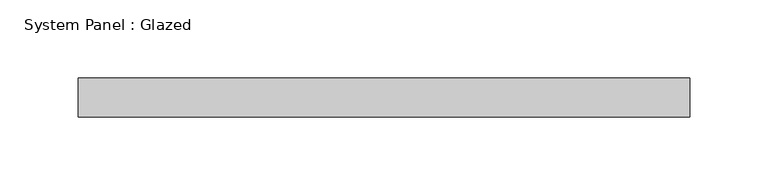
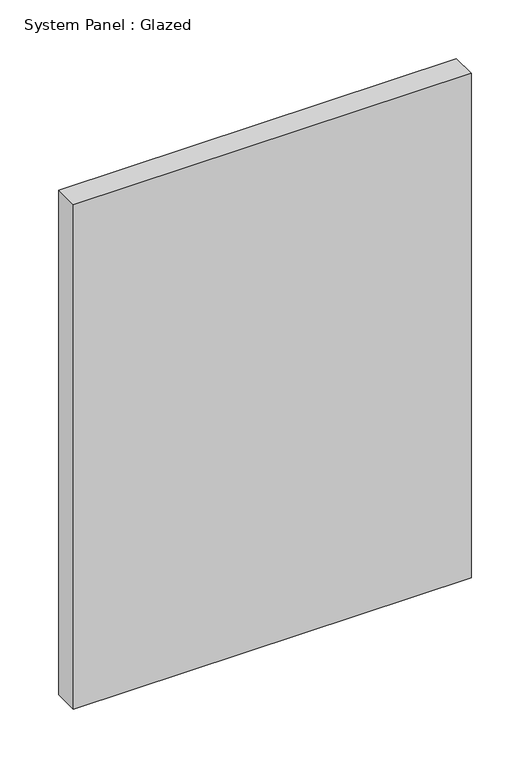
"""IFC4 building model written with IfcOpenShell, lengths in millimetres: plate geometry, System Panel : Glazed."""

from ifc_helpers import new_model, si_unit, origin, origin_with_axes, place, context, project, spatial, polyline, outline, extrude, source, transform, mapped, element, save


def system_panel_glazed_a09aa808(model_context):
    return source(origin(), model_context, "Body", "SweptSolid", [
        extrude(outline(polyline([(195.7612579, -49.5), (-195.7612579, -49.5), (-195.7612579, -24.5), (195.7612579, -24.5), (195.7612579, -49.5)])), origin_with_axes(), (0.0, 0.0, 1.0), 525.0),
    ])


if __name__ == "__main__":
    model = new_model("IFC4")
    model_context = context("Model", 3, world=origin())
    ifc_project = project(units=[si_unit("LENGTHUNIT", "METRE", prefix="MILLI")], contexts=[model_context])
    site = spatial("IfcSite", under=ifc_project)
    building = spatial("IfcBuilding", under=site)
    placement = place(None, origin())
    system_panel_glazed_shape = system_panel_glazed_a09aa808(model_context)
    element("IfcPlate", 1, ObjectType="System Panel : Glazed", at=placement, inside=building, context=model_context, shape_type="MappedRepresentation", body=[
        mapped(system_panel_glazed_shape, transform((0.0, 0.0, 0.0), x_axis=(1.0, 0.0, 0.0), y_axis=(0.0, 1.0, 0.0), z_axis=(0.0, 0.0, 1.0))),
    ])
    save(model, "model.ifc")
